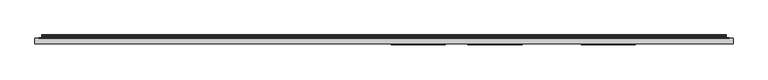
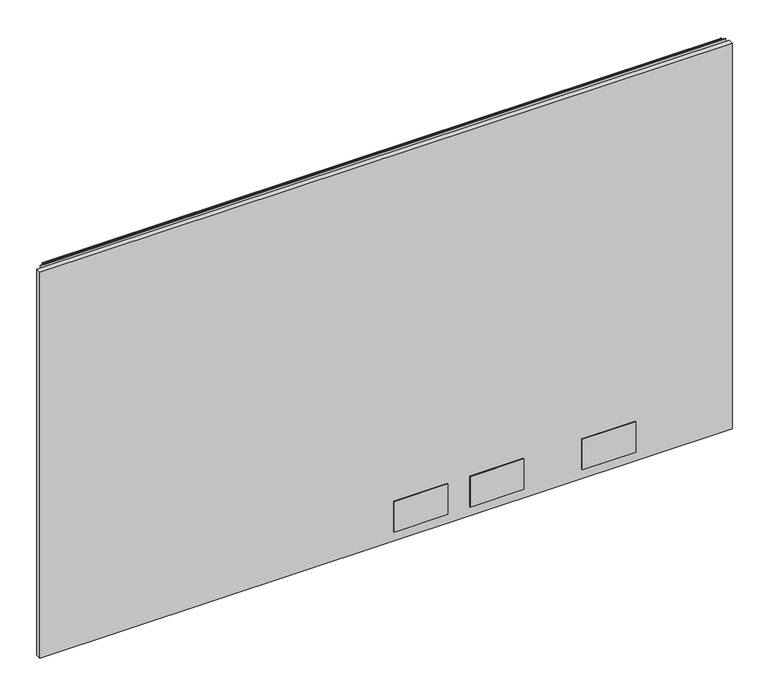
"""IFC4 building model written with IfcOpenShell, lengths in millimetres: furniture geometry."""

import ifcopenshell
import ifcopenshell.guid

model = None  # the IFC model being written
_history = None  # IfcOwnerHistory: only IFC2X3 demands one
_inside = {}  # id of a spatial element -> (the spatial element, [elements in it])
_under = {}  # id of a project, library or spatial element -> (it, [spatial elements below it])
_declared = {}  # id of a project -> (the project, [libraries it declares])
_typed = {}  # id of a type object -> (the type object, [elements of that type])
_made_of = {}  # id of a material, layer set ... -> (it, [elements and type objects made of it])


def new_model(schema):
    """Start an empty IFC model of exactly this schema.

    Asked for "IFC4X3", IfcOpenShell would pick the latest addendum, in which some entities
    have other attributes; the version numbers below select the first issue.
    IFC2X3 requires an IfcOwnerHistory on every rooted entity: one is made here for all.
    """
    global model, _history
    if schema == "IFC4X3":
        model = ifcopenshell.file(schema_version=(4, 3, 0, 0))
    else:
        model = ifcopenshell.file(schema=schema)
    _inside.clear()
    _under.clear()
    _declared.clear()
    _typed.clear()
    _made_of.clear()
    _history = None
    if model.schema == "IFC2X3":
        org = make("IfcOrganization", Name="unknown")
        user = make(
            "IfcPersonAndOrganization",
            ThePerson=make("IfcPerson", FamilyName="unknown"),
            TheOrganization=org,
        )
        app = make(
            "IfcApplication",
            ApplicationDeveloper=org,
            Version="unknown",
            ApplicationFullName="unknown",
            ApplicationIdentifier="unknown",
        )
        _history = make(
            "IfcOwnerHistory",
            OwningUser=user,
            OwningApplication=app,
            ChangeAction="ADDED",
            CreationDate=0,
        )
    return model


def make(cls, **values):
    """One entity of the class cls with the attributes given. An attribute that is None is left unset."""
    return model.create_entity(
        cls, **{name: value for name, value in values.items() if value is not None}
    )


def rooted(cls, **values):
    """An entity with a GlobalId (a new one), such as an element, a storey or a relation."""
    return make(cls, GlobalId=ifcopenshell.guid.new(), OwnerHistory=_history, **values)


def si_unit(unit_type, name, prefix=None):
    """IfcSIUnit, for example si_unit("LENGTHUNIT", "METRE", prefix="MILLI")."""
    return make("IfcSIUnit", UnitType=unit_type, Prefix=prefix, Name=name)


def assignment(units):
    """IfcUnitAssignment: the units of a project."""
    return None if units is None else make("IfcUnitAssignment", Units=units)


def point(xyz):
    """IfcCartesianPoint."""
    return None if xyz is None else make("IfcCartesianPoint", Coordinates=xyz)


def direction(xyz):
    """IfcDirection."""
    return None if xyz is None else make("IfcDirection", DirectionRatios=xyz)


def frame(location, z_axis=None, x_axis=None):
    """IfcAxis2Placement3D, a coordinate frame: its origin and axes. An axis left out is left unset."""
    return make(
        "IfcAxis2Placement3D",
        Location=point(location),
        Axis=direction(z_axis),
        RefDirection=direction(x_axis),
    )


def frame_2d(location, x_axis=None):
    """IfcAxis2Placement2D, a coordinate frame in the plane: its origin and x axis."""
    return make(
        "IfcAxis2Placement2D", Location=point(location), RefDirection=direction(x_axis)
    )


def origin():
    """The frame at (0, 0, 0) with its axes left unset."""
    return frame((0.0, 0.0, 0.0))


def place(relative_to, where):
    """IfcLocalPlacement: puts the frame where relative to a parent placement (None: the world)."""
    return make(
        "IfcLocalPlacement", PlacementRelTo=relative_to, RelativePlacement=where
    )


def context(
    kind, dimensions, precision=None, world=None, true_north=None, identifier=None
):
    """IfcGeometricRepresentationContext, for example the 3D "Model" context."""
    return make(
        "IfcGeometricRepresentationContext",
        ContextIdentifier=identifier,
        ContextType=kind,
        CoordinateSpaceDimension=dimensions,
        Precision=precision,
        WorldCoordinateSystem=world,
        TrueNorth=true_north,
    )


def project(units=None, contexts=None):
    """IfcProject with its units and contexts."""
    return rooted(
        "IfcProject",
        Name="project",
        RepresentationContexts=contexts,
        UnitsInContext=assignment(units),
    )


def spatial(cls, under=None, at=None, **own):
    """A site, building, storey or space (cls), placed at a placement, below another one or the project."""
    s = rooted(cls, ObjectPlacement=at, **own)
    if under is not None:
        _under.setdefault(under.id(), (under, []))[1].append(s)
    return s


def polyline(points):
    """IfcPolyline through the points."""
    return make("IfcPolyline", Points=[point(p) for p in points])


def circle_curve(where, radius):
    """IfcCircle in the frame where."""
    return make("IfcCircle", Position=where, Radius=radius)


def trimmed(basis, trim1, trim2, sense, master):
    """IfcTrimmedCurve: the piece of a basis curve between two trims."""
    return make(
        "IfcTrimmedCurve",
        BasisCurve=basis,
        Trim1=trim1,
        Trim2=trim2,
        SenseAgreement=sense,
        MasterRepresentation=master,
    )


def segment(curve, same_sense, transition):
    """IfcCompositeCurveSegment."""
    return make(
        "IfcCompositeCurveSegment",
        Transition=transition,
        SameSense=same_sense,
        ParentCurve=curve,
    )


def composite_curve(segments, self_intersect=None):
    """IfcCompositeCurve: segments joined end to end."""
    return make("IfcCompositeCurve", Segments=segments, SelfIntersect=self_intersect)


def outline(outer, holes=None, kind="AREA"):
    """IfcArbitraryClosedProfileDef: a profile drawn as a closed curve; with holes, ...WithVoids."""
    if holes is None:
        return make("IfcArbitraryClosedProfileDef", ProfileType=kind, OuterCurve=outer)
    return make(
        "IfcArbitraryProfileDefWithVoids",
        ProfileType=kind,
        OuterCurve=outer,
        InnerCurves=holes,
    )


def extrude(swept, where, along, depth):
    """IfcExtrudedAreaSolid: the profile swept, set in the frame where, extruded along a direction by depth."""
    return make(
        "IfcExtrudedAreaSolid",
        SweptArea=swept,
        Position=where,
        ExtrudedDirection=direction(along),
        Depth=depth,
    )


def shape(context_of_items, identifier, shape_type, items):
    """IfcShapeRepresentation: the items that make up one representation, for example the "Body"."""
    return make(
        "IfcShapeRepresentation",
        ContextOfItems=context_of_items,
        RepresentationIdentifier=identifier,
        RepresentationType=shape_type,
        Items=items,
    )


def source(mapping_origin, context_of_items, identifier, shape_type, items):
    """IfcRepresentationMap: a shape defined once, which mapped items show again and again."""
    return make(
        "IfcRepresentationMap",
        MappingOrigin=mapping_origin,
        MappedRepresentation=shape(context_of_items, identifier, shape_type, items),
    )


def transform(
    local_origin,
    x_axis=None,
    y_axis=None,
    z_axis=None,
    scale=None,
    scale2=None,
    scale3=None,
    uniform=True,
):
    """IfcCartesianTransformationOperator3D, or its non-uniform kind. x_axis, y_axis, z_axis: its Axis1, 2, 3."""
    if uniform:
        return make(
            "IfcCartesianTransformationOperator3D",
            Axis1=direction(x_axis),
            Axis2=direction(y_axis),
            LocalOrigin=point(local_origin),
            Scale=scale,
            Axis3=direction(z_axis),
        )
    return make(
        "IfcCartesianTransformationOperator3DnonUniform",
        Axis1=direction(x_axis),
        Axis2=direction(y_axis),
        LocalOrigin=point(local_origin),
        Scale=scale,
        Axis3=direction(z_axis),
        Scale2=scale2,
        Scale3=scale3,
    )


def mapped(mapping_source, mapping_target):
    """IfcMappedItem: shows the shape of a source again, moved by a transform."""
    return make(
        "IfcMappedItem", MappingSource=mapping_source, MappingTarget=mapping_target
    )


def made_of(thing, what):
    """Note that an element or type object is made of a material, layer set ...; save() writes the relation."""
    if what is not None:
        _made_of.setdefault(what.id(), (what, []))[1].append(thing)
    return thing


def element(
    cls,
    number,
    at=None,
    inside=None,
    cuts=None,
    type_object=None,
    material=None,
    context=None,
    identifier="Body",
    shape_type=None,
    held_by="IfcProductDefinitionShape",
    body=None,
    shapes=None,
    **own,
):
    """One element of the class cls, such as IfcWall. Its Tag is "e" and its number.

    at: its placement. inside: the storey or other place that contains it. cuts: it is an
    opening in that element (IfcRelVoidsElement). A single representation is given by context,
    identifier, shape_type and body (its items); several are given by shapes. held_by: the class
    of the entity that holds the representations. save() writes the other relations.
    """
    e = rooted(cls, Tag="e%d" % number, ObjectPlacement=at, **own)
    if body is not None:
        shapes = [shape(context, identifier, shape_type, body)]
    if shapes is not None:
        e.Representation = make(held_by, Representations=shapes)
    if inside is not None:
        _inside.setdefault(inside.id(), (inside, []))[1].append(e)
    if cuts is not None:
        rooted(
            "IfcRelVoidsElement", RelatingBuildingElement=cuts, RelatedOpeningElement=e
        )
    if type_object is not None:
        _typed.setdefault(type_object.id(), (type_object, []))[1].append(e)
    return made_of(e, material)


def aggregate(whole, parts):
    """IfcRelAggregates: a whole, such as a stair, and the parts it consists of."""
    return rooted("IfcRelAggregates", RelatingObject=whole, RelatedObjects=parts)


def save(model, path):
    """Write the relations noted so far, then the file.

    IfcRelAggregates (storeys below a building ...), IfcRelContainedInSpatialStructure (elements
    in a storey), IfcRelDefinesByType, IfcRelAssociatesMaterial and IfcRelDeclares: one each for
    every whole, place, type object, material and project.
    """
    for whole, parts in _under.values():
        aggregate(whole, parts)
    for where, things in _inside.values():
        rooted(
            "IfcRelContainedInSpatialStructure",
            RelatedElements=things,
            RelatingStructure=where,
        )
    for kind, things in _typed.values():
        rooted("IfcRelDefinesByType", RelatedObjects=things, RelatingType=kind)
    for what, things in _made_of.values():
        rooted("IfcRelAssociatesMaterial", RelatedObjects=things, RelatingMaterial=what)
    for by, libraries in _declared.values():
        rooted("IfcRelDeclares", RelatingContext=by, RelatedDefinitions=libraries)
    model.write(path)


def furniture_0c54d6f3(model_context):
    return source(origin(), model_context, "Body", "SweptSolid", [
        extrude(outline(polyline([(1.778, 1.45288), (1.778, 10.9778796), (1217.4219835, 10.9778796), (1217.4219835, 1.45288), (1.778, 1.45288)])), frame((0.0, 0.0, 14.8336), z_axis=(0.0, 0.0, 1.0), x_axis=(1.0, 0.0, 0.0)), (0.0, 0.0, 1.0), 715.7592871),
        extrude(outline(polyline([(716.661016, -0.57912), (622.427015, -0.57912), (622.427015, 1.45288), (716.661016, 1.45288), (716.661016, -0.57912)])), frame((0.0, 0.0, 32.3595996), z_axis=(0.0, 0.0, 1.0), x_axis=(1.0, 0.0, 0.0)), (0.0, 0.0, 1.0), 56.6420005),
        extrude(outline(polyline([(850.011016, -0.57912), (755.777015, -0.57912), (755.777015, 1.45288), (850.011016, 1.45288), (850.011016, -0.57912)])), frame((0.0, 0.0, 32.3595996), z_axis=(0.0, 0.0, 1.0), x_axis=(1.0, 0.0, 0.0)), (0.0, 0.0, 1.0), 56.6420005),
        extrude(outline(polyline([(1046.8610281, -0.57912), (952.6270271, -0.57912), (952.6270271, 1.45288), (1046.8610281, 1.45288), (1046.8610281, -0.57912)])), frame((0.0, 0.0, 32.3595996), z_axis=(0.0, 0.0, 1.0), x_axis=(1.0, 0.0, 0.0)), (0.0, 0.0, 1.0), 56.6420005),
        extrude(outline(composite_curve([segment(polyline([(10.9778796, 735.0189024), (10.9778796, 735.9613903)]), True, "CONTINUOUS"), segment(trimmed(circle_curve(frame_2d((11.6164846, 735.9613903)), 0.638605), [point((10.9778796, 735.9613903))], [point((11.6164846, 736.5999953))], False, "CARTESIAN"), True, "CONTINUOUS"), segment(polyline([(11.6164846, 736.5999953), (13.251317, 736.5999953)]), True, "CONTINUOUS"), segment(trimmed(circle_curve(frame_2d((13.251317, 734.2266753)), 2.37332), [point((13.251317, 736.5999953))], [point((15.6071079, 733.9387575))], False, "CARTESIAN"), True, "CONTINUOUS"), segment(polyline([(15.6071079, 733.9387575), (15.2080413, 730.6735287)]), True, "CONTINUOUS"), segment(trimmed(circle_curve(frame_2d((17.5068753, 730.3925719)), 2.3159393), [point((15.2080413, 730.6735287))], [point((15.5012134, 729.2346018))], True, "CARTESIAN"), True, "CONTINUOUS"), segment(polyline([(15.5012134, 729.2346018), (16.6600675, 727.2274087), (15.9781592, 726.8337085), (14.819305, 728.8409016)]), True, "CONTINUOUS"), segment(trimmed(circle_curve(frame_2d((17.5068753, 730.3925719)), 3.1033393), [point((14.819305, 728.8409016))], [point((14.4264569, 730.7690516))], False, "CARTESIAN"), True, "CONTINUOUS"), segment(polyline([(14.4264569, 730.7690516), (14.8255236, 734.0342804)]), True, "CONTINUOUS"), segment(trimmed(circle_curve(frame_2d((13.251317, 734.2266753)), 1.58592), [point((14.8255236, 734.0342804))], [point((13.251317, 735.8125953))], True, "CARTESIAN"), True, "CONTINUOUS"), segment(polyline([(13.251317, 735.8125953), (11.7652796, 735.8125953), (11.7652796, 735.0189024), (10.9778796, 735.0189024)]), True, "CONTINUOUS")], self_intersect=False)), frame((13.7160002, 0.0, 0.0), z_axis=(1.0, 0.0, 0.0), x_axis=(0.0, 1.0, 0.0)), (0.0, 0.0, 1.0), 1191.7680076),
        extrude(outline(polyline([(8.1280002, 10.9778796), (8.1280002, 11.7652796), (1211.0720078, 11.7652796), (1211.0720078, 10.9778796), (8.1280002, 10.9778796)])), frame((0.0, 0.0, 704.3420079), z_axis=(0.0, 0.0, 1.0), x_axis=(1.0, 0.0, 0.0)), (0.0, 0.0, 1.0), 30.8009179),
    ])


if __name__ == "__main__":
    model = new_model("IFC4")
    model_context = context("Model", 3, world=origin())
    ifc_project = project(units=[si_unit("LENGTHUNIT", "METRE", prefix="MILLI")], contexts=[model_context])
    site = spatial("IfcSite", under=ifc_project)
    building = spatial("IfcBuilding", under=site)
    placement = place(None, origin())
    furniture_shape = furniture_0c54d6f3(model_context)
    element("IfcFurniture", 1, at=placement, inside=building, context=model_context, shape_type="MappedRepresentation", body=[
        mapped(furniture_shape, transform((0.0, 0.0, 0.0), x_axis=(1.0, 0.0, 0.0), y_axis=(0.0, 1.0, 0.0), z_axis=(0.0, 0.0, 1.0))),
    ])
    save(model, "model.ifc")
